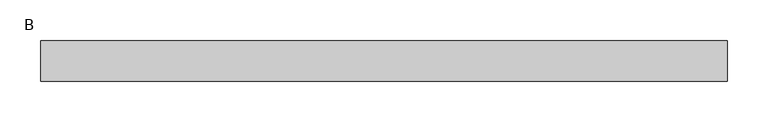
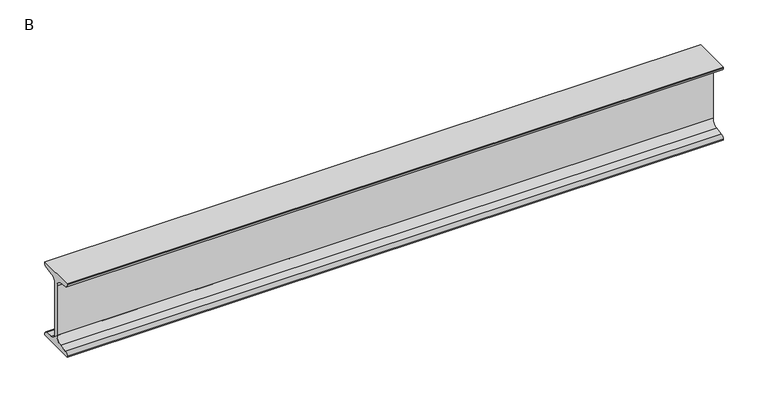
"""IFC4 building model written with IfcOpenShell, lengths in millimetres: beam geometry, B."""

from ifc_helpers import new_model, si_unit, point, frame, frame_2d, origin, place, context, project, spatial, polyline, circle_curve, trimmed, segment, composite_curve, outline, extrude, source, transform, mapped, element, save


def b_7be7ef0b(model_context):
    return source(origin(), model_context, "Body", "SweptSolid", [
        extrude(outline(composite_curve([segment(polyline([(25.0, 50.0), (25.0, 48.5034153)]), True, "CONTINUOUS"), segment(trimmed(circle_curve(frame_2d((20.5, 48.5034153)), 4.5), [point((25.0, 48.5034153))], [point((21.126279, 44.047209))], False, "CARTESIAN"), True, "CONTINUOUS"), segment(polyline([(21.126279, 44.047209), (10.0974421, 42.497207)]), True, "CONTINUOUS"), segment(trimmed(circle_curve(frame_2d((11.35, 33.5847944)), 9.0), [point((10.0974421, 42.497207))], [point((2.35, 33.5847944))], True, "CARTESIAN"), True, "CONTINUOUS"), segment(polyline([(2.35, 33.5847944), (2.35, -33.5847944)]), True, "CONTINUOUS"), segment(trimmed(circle_curve(frame_2d((11.35, -33.5847944)), 9.0), [point((2.35, -33.5847944))], [point((10.0974421, -42.497207))], True, "CARTESIAN"), True, "CONTINUOUS"), segment(polyline([(10.0974421, -42.497207), (21.126279, -44.047209)]), True, "CONTINUOUS"), segment(trimmed(circle_curve(frame_2d((20.5, -48.5034153)), 4.5), [point((21.126279, -44.047209))], [point((25.0, -48.5034153))], False, "CARTESIAN"), True, "CONTINUOUS"), segment(polyline([(25.0, -48.5034153), (25.0, -50.0), (-25.0, -50.0), (-25.0, -48.5034153)]), True, "CONTINUOUS"), segment(trimmed(circle_curve(frame_2d((-20.5, -48.5034153)), 4.5), [point((-25.0, -48.5034153))], [point((-21.126279, -44.047209))], False, "CARTESIAN"), True, "CONTINUOUS"), segment(polyline([(-21.126279, -44.047209), (-10.0974421, -42.497207)]), True, "CONTINUOUS"), segment(trimmed(circle_curve(frame_2d((-11.35, -33.5847944)), 9.0), [point((-10.0974421, -42.497207))], [point((-2.35, -33.5847944))], True, "CARTESIAN"), True, "CONTINUOUS"), segment(polyline([(-2.35, -33.5847944), (-2.35, 33.5847944)]), True, "CONTINUOUS"), segment(trimmed(circle_curve(frame_2d((-11.35, 33.5847944)), 9.0), [point((-2.35, 33.5847944))], [point((-10.0974421, 42.497207))], True, "CARTESIAN"), True, "CONTINUOUS"), segment(polyline([(-10.0974421, 42.497207), (-21.126279, 44.047209)]), True, "CONTINUOUS"), segment(trimmed(circle_curve(frame_2d((-20.5, 48.5034153)), 4.5), [point((-21.126279, 44.047209))], [point((-25.0, 48.5034153))], False, "CARTESIAN"), True, "CONTINUOUS"), segment(polyline([(-25.0, 48.5034153), (-25.0, 50.0), (25.0, 50.0)]), True, "CONTINUOUS")], self_intersect=False)), frame((-413.2, 0.0, 0.0), z_axis=(1.0, 0.0, 0.0), x_axis=(0.0, 1.0, 0.0)), (0.0, 0.0, 1.0), 845.5),
    ])


if __name__ == "__main__":
    model = new_model("IFC4")
    model_context = context("Model", 3, world=origin())
    ifc_project = project(units=[si_unit("LENGTHUNIT", "METRE", prefix="MILLI")], contexts=[model_context])
    site = spatial("IfcSite", under=ifc_project)
    building = spatial("IfcBuilding", under=site)
    placement = place(None, origin())
    b_shape = b_7be7ef0b(model_context)
    element("IfcBeam", 1, ObjectType="B", at=placement, inside=building, context=model_context, shape_type="MappedRepresentation", body=[
        mapped(b_shape, transform((0.0, 0.0, 0.0), x_axis=(1.0, 0.0, 0.0), y_axis=(0.0, 1.0, 0.0), z_axis=(0.0, 0.0, 1.0))),
    ])
    save(model, "model.ifc")
